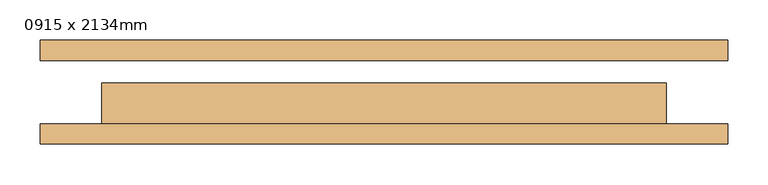
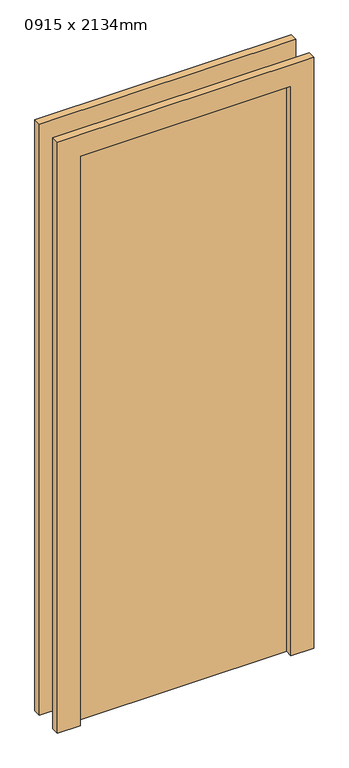
"""IFC4 building model written with IfcOpenShell, lengths in millimetres: door geometry, 0915 x 2134mm."""

from ifc_helpers import new_model, si_unit, frame, origin, origin_with_axes, place, context, project, spatial, polyline, outline, extrude, source, transform, mapped, element, save


def door_0915_x_2134mm_f7296831(model_context):
    return source(origin(), model_context, "Body", "SweptSolid", [
        extrude(outline(polyline([(2076.0, -426.0), (0.0, -426.0), (0.0, -350.0), (2000.0, -350.0), (2000.0, 350.0), (0.0, 350.0), (0.0, 426.0), (2076.0, 426.0), (2076.0, -426.0)])), frame((0.0, -64.5, 0.0), z_axis=(0.0, 1.0, 0.0), x_axis=(0.0, 0.0, 1.0)), (0.0, 0.0, 1.0), 25.0),
        extrude(outline(polyline([(2076.0, 426.0), (2076.0, -426.0), (0.0, -426.0), (0.0, -350.0), (2000.0, -350.0), (2000.0, 350.0), (0.0, 350.0), (0.0, 426.0), (2076.0, 426.0)])), frame((0.0, 39.5, 0.0), z_axis=(0.0, 1.0, 0.0), x_axis=(0.0, 0.0, 1.0)), (0.0, 0.0, 1.0), 25.0),
        extrude(outline(polyline([(350.0, 11.5), (350.0, -39.5), (-350.0, -39.5), (-350.0, 11.5), (350.0, 11.5)])), origin_with_axes(), (0.0, 0.0, 1.0), 2000.0),
    ])


if __name__ == "__main__":
    model = new_model("IFC4")
    model_context = context("Model", 3, world=origin())
    ifc_project = project(units=[si_unit("LENGTHUNIT", "METRE", prefix="MILLI")], contexts=[model_context])
    site = spatial("IfcSite", under=ifc_project)
    building = spatial("IfcBuilding", under=site)
    placement = place(None, origin())
    door_0915_x_2134mm_shape = door_0915_x_2134mm_f7296831(model_context)
    element("IfcDoor", 1, ObjectType="0915 x 2134mm", at=placement, inside=building, context=model_context, shape_type="MappedRepresentation", body=[
        mapped(door_0915_x_2134mm_shape, transform((0.0, 0.0, 0.0), x_axis=(1.0, 0.0, 0.0), y_axis=(0.0, 1.0, 0.0), z_axis=(0.0, 0.0, 1.0))),
    ])
    save(model, "model.ifc")
